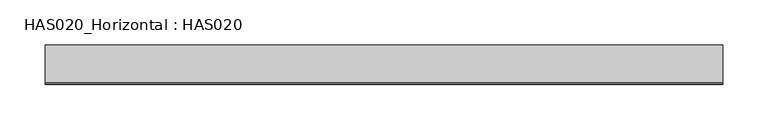
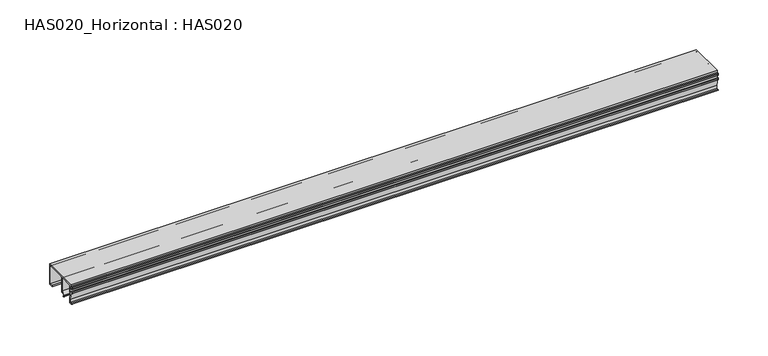
"""IFC4 building model written with IfcOpenShell, lengths in millimetres: beam geometry, HAS020_Horizontal : HAS020."""

import ifcopenshell
import ifcopenshell.guid

model = None  # the IFC model being written
_history = None  # IfcOwnerHistory: only IFC2X3 demands one
_inside = {}  # id of a spatial element -> (the spatial element, [elements in it])
_under = {}  # id of a project, library or spatial element -> (it, [spatial elements below it])
_declared = {}  # id of a project -> (the project, [libraries it declares])
_typed = {}  # id of a type object -> (the type object, [elements of that type])
_made_of = {}  # id of a material, layer set ... -> (it, [elements and type objects made of it])


def new_model(schema):
    """Start an empty IFC model of exactly this schema.

    Asked for "IFC4X3", IfcOpenShell would pick the latest addendum, in which some entities
    have other attributes; the version numbers below select the first issue.
    IFC2X3 requires an IfcOwnerHistory on every rooted entity: one is made here for all.
    """
    global model, _history
    if schema == "IFC4X3":
        model = ifcopenshell.file(schema_version=(4, 3, 0, 0))
    else:
        model = ifcopenshell.file(schema=schema)
    _inside.clear()
    _under.clear()
    _declared.clear()
    _typed.clear()
    _made_of.clear()
    _history = None
    if model.schema == "IFC2X3":
        org = make("IfcOrganization", Name="unknown")
        user = make(
            "IfcPersonAndOrganization",
            ThePerson=make("IfcPerson", FamilyName="unknown"),
            TheOrganization=org,
        )
        app = make(
            "IfcApplication",
            ApplicationDeveloper=org,
            Version="unknown",
            ApplicationFullName="unknown",
            ApplicationIdentifier="unknown",
        )
        _history = make(
            "IfcOwnerHistory",
            OwningUser=user,
            OwningApplication=app,
            ChangeAction="ADDED",
            CreationDate=0,
        )
    return model


def make(cls, **values):
    """One entity of the class cls with the attributes given. An attribute that is None is left unset."""
    return model.create_entity(
        cls, **{name: value for name, value in values.items() if value is not None}
    )


def rooted(cls, **values):
    """An entity with a GlobalId (a new one), such as an element, a storey or a relation."""
    return make(cls, GlobalId=ifcopenshell.guid.new(), OwnerHistory=_history, **values)


def si_unit(unit_type, name, prefix=None):
    """IfcSIUnit, for example si_unit("LENGTHUNIT", "METRE", prefix="MILLI")."""
    return make("IfcSIUnit", UnitType=unit_type, Prefix=prefix, Name=name)


def assignment(units):
    """IfcUnitAssignment: the units of a project."""
    return None if units is None else make("IfcUnitAssignment", Units=units)


def point(xyz):
    """IfcCartesianPoint."""
    return None if xyz is None else make("IfcCartesianPoint", Coordinates=xyz)


def direction(xyz):
    """IfcDirection."""
    return None if xyz is None else make("IfcDirection", DirectionRatios=xyz)


def frame(location, z_axis=None, x_axis=None):
    """IfcAxis2Placement3D, a coordinate frame: its origin and axes. An axis left out is left unset."""
    return make(
        "IfcAxis2Placement3D",
        Location=point(location),
        Axis=direction(z_axis),
        RefDirection=direction(x_axis),
    )


def frame_2d(location, x_axis=None):
    """IfcAxis2Placement2D, a coordinate frame in the plane: its origin and x axis."""
    return make(
        "IfcAxis2Placement2D", Location=point(location), RefDirection=direction(x_axis)
    )


def origin():
    """The frame at (0, 0, 0) with its axes left unset."""
    return frame((0.0, 0.0, 0.0))


def place(relative_to, where):
    """IfcLocalPlacement: puts the frame where relative to a parent placement (None: the world)."""
    return make(
        "IfcLocalPlacement", PlacementRelTo=relative_to, RelativePlacement=where
    )


def context(
    kind, dimensions, precision=None, world=None, true_north=None, identifier=None
):
    """IfcGeometricRepresentationContext, for example the 3D "Model" context."""
    return make(
        "IfcGeometricRepresentationContext",
        ContextIdentifier=identifier,
        ContextType=kind,
        CoordinateSpaceDimension=dimensions,
        Precision=precision,
        WorldCoordinateSystem=world,
        TrueNorth=true_north,
    )


def project(units=None, contexts=None):
    """IfcProject with its units and contexts."""
    return rooted(
        "IfcProject",
        Name="project",
        RepresentationContexts=contexts,
        UnitsInContext=assignment(units),
    )


def spatial(cls, under=None, at=None, **own):
    """A site, building, storey or space (cls), placed at a placement, below another one or the project."""
    s = rooted(cls, ObjectPlacement=at, **own)
    if under is not None:
        _under.setdefault(under.id(), (under, []))[1].append(s)
    return s


def polyline(points):
    """IfcPolyline through the points."""
    return make("IfcPolyline", Points=[point(p) for p in points])


def circle_curve(where, radius):
    """IfcCircle in the frame where."""
    return make("IfcCircle", Position=where, Radius=radius)


def trimmed(basis, trim1, trim2, sense, master):
    """IfcTrimmedCurve: the piece of a basis curve between two trims."""
    return make(
        "IfcTrimmedCurve",
        BasisCurve=basis,
        Trim1=trim1,
        Trim2=trim2,
        SenseAgreement=sense,
        MasterRepresentation=master,
    )


def segment(curve, same_sense, transition):
    """IfcCompositeCurveSegment."""
    return make(
        "IfcCompositeCurveSegment",
        Transition=transition,
        SameSense=same_sense,
        ParentCurve=curve,
    )


def composite_curve(segments, self_intersect=None):
    """IfcCompositeCurve: segments joined end to end."""
    return make("IfcCompositeCurve", Segments=segments, SelfIntersect=self_intersect)


def outline(outer, holes=None, kind="AREA"):
    """IfcArbitraryClosedProfileDef: a profile drawn as a closed curve; with holes, ...WithVoids."""
    if holes is None:
        return make("IfcArbitraryClosedProfileDef", ProfileType=kind, OuterCurve=outer)
    return make(
        "IfcArbitraryProfileDefWithVoids",
        ProfileType=kind,
        OuterCurve=outer,
        InnerCurves=holes,
    )


def extrude(swept, where, along, depth):
    """IfcExtrudedAreaSolid: the profile swept, set in the frame where, extruded along a direction by depth."""
    return make(
        "IfcExtrudedAreaSolid",
        SweptArea=swept,
        Position=where,
        ExtrudedDirection=direction(along),
        Depth=depth,
    )


def shape(context_of_items, identifier, shape_type, items):
    """IfcShapeRepresentation: the items that make up one representation, for example the "Body"."""
    return make(
        "IfcShapeRepresentation",
        ContextOfItems=context_of_items,
        RepresentationIdentifier=identifier,
        RepresentationType=shape_type,
        Items=items,
    )


def source(mapping_origin, context_of_items, identifier, shape_type, items):
    """IfcRepresentationMap: a shape defined once, which mapped items show again and again."""
    return make(
        "IfcRepresentationMap",
        MappingOrigin=mapping_origin,
        MappedRepresentation=shape(context_of_items, identifier, shape_type, items),
    )


def transform(
    local_origin,
    x_axis=None,
    y_axis=None,
    z_axis=None,
    scale=None,
    scale2=None,
    scale3=None,
    uniform=True,
):
    """IfcCartesianTransformationOperator3D, or its non-uniform kind. x_axis, y_axis, z_axis: its Axis1, 2, 3."""
    if uniform:
        return make(
            "IfcCartesianTransformationOperator3D",
            Axis1=direction(x_axis),
            Axis2=direction(y_axis),
            LocalOrigin=point(local_origin),
            Scale=scale,
            Axis3=direction(z_axis),
        )
    return make(
        "IfcCartesianTransformationOperator3DnonUniform",
        Axis1=direction(x_axis),
        Axis2=direction(y_axis),
        LocalOrigin=point(local_origin),
        Scale=scale,
        Axis3=direction(z_axis),
        Scale2=scale2,
        Scale3=scale3,
    )


def mapped(mapping_source, mapping_target):
    """IfcMappedItem: shows the shape of a source again, moved by a transform."""
    return make(
        "IfcMappedItem", MappingSource=mapping_source, MappingTarget=mapping_target
    )


def made_of(thing, what):
    """Note that an element or type object is made of a material, layer set ...; save() writes the relation."""
    if what is not None:
        _made_of.setdefault(what.id(), (what, []))[1].append(thing)
    return thing


def element(
    cls,
    number,
    at=None,
    inside=None,
    cuts=None,
    type_object=None,
    material=None,
    context=None,
    identifier="Body",
    shape_type=None,
    held_by="IfcProductDefinitionShape",
    body=None,
    shapes=None,
    **own,
):
    """One element of the class cls, such as IfcWall. Its Tag is "e" and its number.

    at: its placement. inside: the storey or other place that contains it. cuts: it is an
    opening in that element (IfcRelVoidsElement). A single representation is given by context,
    identifier, shape_type and body (its items); several are given by shapes. held_by: the class
    of the entity that holds the representations. save() writes the other relations.
    """
    e = rooted(cls, Tag="e%d" % number, ObjectPlacement=at, **own)
    if body is not None:
        shapes = [shape(context, identifier, shape_type, body)]
    if shapes is not None:
        e.Representation = make(held_by, Representations=shapes)
    if inside is not None:
        _inside.setdefault(inside.id(), (inside, []))[1].append(e)
    if cuts is not None:
        rooted(
            "IfcRelVoidsElement", RelatingBuildingElement=cuts, RelatedOpeningElement=e
        )
    if type_object is not None:
        _typed.setdefault(type_object.id(), (type_object, []))[1].append(e)
    return made_of(e, material)


def aggregate(whole, parts):
    """IfcRelAggregates: a whole, such as a stair, and the parts it consists of."""
    return rooted("IfcRelAggregates", RelatingObject=whole, RelatedObjects=parts)


def save(model, path):
    """Write the relations noted so far, then the file.

    IfcRelAggregates (storeys below a building ...), IfcRelContainedInSpatialStructure (elements
    in a storey), IfcRelDefinesByType, IfcRelAssociatesMaterial and IfcRelDeclares: one each for
    every whole, place, type object, material and project.
    """
    for whole, parts in _under.values():
        aggregate(whole, parts)
    for where, things in _inside.values():
        rooted(
            "IfcRelContainedInSpatialStructure",
            RelatedElements=things,
            RelatingStructure=where,
        )
    for kind, things in _typed.values():
        rooted("IfcRelDefinesByType", RelatedObjects=things, RelatingType=kind)
    for what, things in _made_of.values():
        rooted("IfcRelAssociatesMaterial", RelatedObjects=things, RelatingMaterial=what)
    for by, libraries in _declared.values():
        rooted("IfcRelDeclares", RelatingContext=by, RelatedDefinitions=libraries)
    model.write(path)


def has020_horizontal_has020_e3ec002c(model_context):
    return source(origin(), model_context, "Body", "SweptSolid", [
        extrude(outline(composite_curve([segment(polyline([(20.6950115, 1.3049885), (20.6950115, 22.8919416)]), True, "CONTINUOUS"), segment(trimmed(circle_curve(frame_2d((19.8919416, 22.8919416)), 0.8030699), [point((20.6950115, 22.8919416))], [point((19.8919416, 23.6950115))], True, "CARTESIAN"), True, "CONTINUOUS"), segment(polyline([(19.8919416, 23.6950115), (-1.2890257, 23.6950115)]), True, "CONTINUOUS"), segment(trimmed(circle_curve(frame_2d((-1.2890257, 22.8919416)), 0.8030699), [point((-1.2890257, 23.6950115))], [point((-2.0920956, 22.8919416))], True, "CARTESIAN"), True, "CONTINUOUS"), segment(polyline([(-2.0920956, 22.8919416), (-2.0920956, 4.9156987), (-3.8480301, 5.2253173), (-5.6055262, 3.4678212), (-4.9969822, 2.413792)]), True, "CONTINUOUS"), segment(trimmed(circle_curve(frame_2d((-5.4316565, 2.1628327)), 0.5019187), [point((-4.9969822, 2.413792))], [point((-5.8663308, 1.9118734))], False, "CARTESIAN"), True, "CONTINUOUS"), segment(polyline([(-5.8663308, 1.9118734), (-6.551902, 3.0993175)]), True, "CONTINUOUS"), segment(trimmed(circle_curve(frame_2d((-5.8564231, 3.5008524)), 0.8030699), [point((-6.551902, 3.0993175))], [point((-6.4242792, 4.0687086))], False, "CARTESIAN"), True, "CONTINUOUS"), segment(polyline([(-6.4242792, 4.0687086), (-3.2967004, 7.1962874), (-3.2967004, 22.8919416)]), True, "CONTINUOUS"), segment(trimmed(circle_curve(frame_2d((-4.0997702, 22.8919416)), 0.8030699), [point((-3.2967004, 22.8919416))], [point((-4.0997702, 23.6950115))], True, "CARTESIAN"), True, "CONTINUOUS"), segment(polyline([(-4.0997702, 23.6950115), (-17.5868685, 23.6950115)]), True, "CONTINUOUS"), segment(trimmed(circle_curve(frame_2d((-17.5868685, 22.8919416)), 0.8030699), [point((-17.5868685, 23.6950115))], [point((-18.3899384, 22.8919416))], True, "CARTESIAN"), True, "CONTINUOUS"), segment(polyline([(-18.3899384, 22.8919416), (-18.3899384, 15.4133536)]), True, "CONTINUOUS"), segment(trimmed(circle_curve(frame_2d((-19.1930082, 15.4133536)), 0.8030699), [point((-18.3899384, 15.4133536))], [point((-19.408731, 14.6398002))], False, "CARTESIAN"), True, "CONTINUOUS"), segment(polyline([(-19.408731, 14.6398002), (-17.9906398, 6.5974057), (-18.4036027, 1.6609141), (-21.0977895, 1.6609141)]), True, "CONTINUOUS"), segment(trimmed(circle_curve(frame_2d((-21.0977895, 2.2632164)), 0.6023024), [point((-21.0977895, 1.6609141))], [point((-21.0977895, 2.8655188))], False, "CARTESIAN"), True, "CONTINUOUS"), segment(polyline([(-21.0977895, 2.8655188), (-19.509176, 2.8655188), (-19.1930082, 6.4793332), (-20.6267142, 14.6102838), (-21.5018341, 14.6102838)]), True, "CONTINUOUS"), segment(trimmed(circle_curve(frame_2d((-21.5018341, 15.1122024)), 0.5019187), [point((-21.5018341, 14.6102838))], [point((-22.0037527, 15.1122024))], False, "CARTESIAN"), True, "CONTINUOUS"), segment(polyline([(-22.0037527, 15.1122024), (-22.0037527, 16.7175747)]), True, "CONTINUOUS"), segment(trimmed(circle_curve(frame_2d((-21.5018341, 16.7175747)), 0.5019187), [point((-22.0037527, 16.7175747))], [point((-20.9999154, 16.7175747))], False, "CARTESIAN"), True, "CONTINUOUS"), segment(polyline([(-20.9999154, 16.7175747), (-20.9999154, 15.9152723), (-19.5945432, 15.9152723), (-19.5945432, 21.3359938), (-20.9999154, 21.3359938), (-20.9999154, 20.5336914)]), True, "CONTINUOUS"), segment(trimmed(circle_curve(frame_2d((-21.5018341, 20.5336914)), 0.5019187), [point((-20.9999154, 20.5336914))], [point((-22.0037527, 20.5336914))], False, "CARTESIAN"), True, "CONTINUOUS"), segment(polyline([(-22.0037527, 20.5336914), (-22.0037527, 22.1390636)]), True, "CONTINUOUS"), segment(trimmed(circle_curve(frame_2d((-21.5018341, 22.1390636)), 0.5019187), [point((-22.0037527, 22.1390636))], [point((-21.5018341, 22.6409823))], False, "CARTESIAN"), True, "CONTINUOUS"), segment(polyline([(-21.5018341, 22.6409823), (-19.7953106, 22.6409823), (-19.7953106, 25.0), (22.0, 25.0), (22.0, 0.0), (17.6333077, 0.0)]), True, "CONTINUOUS"), segment(trimmed(circle_curve(frame_2d((17.6333077, 0.6524943)), 0.6524943), [point((17.6333077, 0.0))], [point((17.6333077, 1.3049885))], False, "CARTESIAN"), True, "CONTINUOUS"), segment(polyline([(17.6333077, 1.3049885), (20.6950115, 1.3049885)]), True, "CONTINUOUS")], self_intersect=False)), frame((-374.9040671, 0.0, 0.0), z_axis=(1.0, 0.0, 0.0), x_axis=(0.0, 1.0, 0.0)), (0.0, 0.0, 1.0), 749.8081342),
    ])


if __name__ == "__main__":
    model = new_model("IFC4")
    model_context = context("Model", 3, world=origin())
    ifc_project = project(units=[si_unit("LENGTHUNIT", "METRE", prefix="MILLI")], contexts=[model_context])
    site = spatial("IfcSite", under=ifc_project)
    building = spatial("IfcBuilding", under=site)
    placement = place(None, origin())
    has020_horizontal_has020_shape = has020_horizontal_has020_e3ec002c(model_context)
    element("IfcBeam", 1, ObjectType="HAS020_Horizontal : HAS020", at=placement, inside=building, context=model_context, shape_type="MappedRepresentation", body=[
        mapped(has020_horizontal_has020_shape, transform((0.0, 0.0, 0.0), x_axis=(1.0, 0.0, 0.0), y_axis=(0.0, 1.0, 0.0), z_axis=(0.0, 0.0, 1.0))),
    ])
    save(model, "model.ifc")
